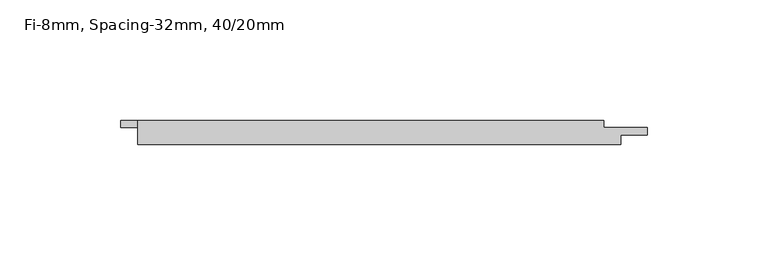
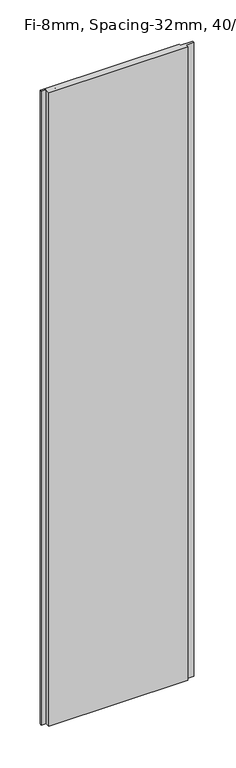
"""IFC4 building model written with IfcOpenShell, lengths in millimetres: plate geometry, Fi-8mm, Spacing-32mm, 40/20mm."""

from ifc_helpers import new_model, si_unit, origin, origin_with_axes, place, context, project, spatial, polyline, outline, extrude, source, transform, mapped, element, save


def fi_8mm_spacing_32mm_40_20mm_775ba623(model_context):
    return source(origin(), model_context, "Body", "SweptSolid", [
        extrude(outline(polyline([(-100.0, -5.0), (-100.0, 5.0), (93.0, 5.0), (93.0, 2.0), (111.0, 2.0), (111.0, -1.0), (100.0, -1.0), (100.0, -5.0), (-100.0, -5.0)])), origin_with_axes(), (0.0, 0.0, 1.0), 964.5),
        extrude(outline(polyline([(93.0, 5.0), (93.0, 2.0), (111.0, 2.0), (111.0, -1.0), (100.0, -1.0), (100.0, -5.0), (-100.0, -5.0), (-100.0, -1.0), (-89.0, -1.0), (-89.0, 2.0), (-107.0, 2.0), (-107.0, 5.0), (93.0, 5.0)])), origin_with_axes(), (0.0, 0.0, 1.0), 964.5),
    ])


if __name__ == "__main__":
    model = new_model("IFC4")
    model_context = context("Model", 3, world=origin())
    ifc_project = project(units=[si_unit("LENGTHUNIT", "METRE", prefix="MILLI")], contexts=[model_context])
    site = spatial("IfcSite", under=ifc_project)
    building = spatial("IfcBuilding", under=site)
    placement = place(None, origin())
    fi_8mm_spacing_32mm_40_20mm_shape = fi_8mm_spacing_32mm_40_20mm_775ba623(model_context)
    element("IfcPlate", 1, ObjectType="Fi-8mm, Spacing-32mm, 40/20mm", at=placement, inside=building, context=model_context, shape_type="MappedRepresentation", body=[
        mapped(fi_8mm_spacing_32mm_40_20mm_shape, transform((0.0, 0.0, 0.0), x_axis=(1.0, 0.0, 0.0), y_axis=(0.0, 1.0, 0.0), z_axis=(0.0, 0.0, 1.0))),
    ])
    save(model, "model.ifc")
